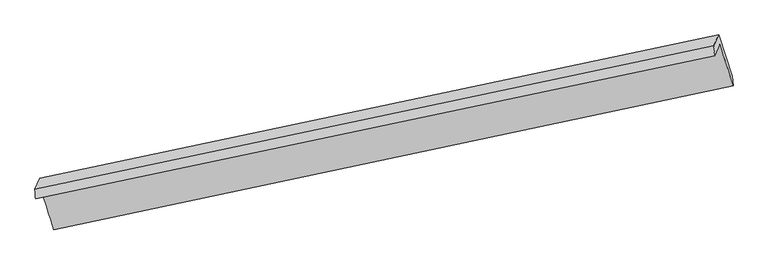
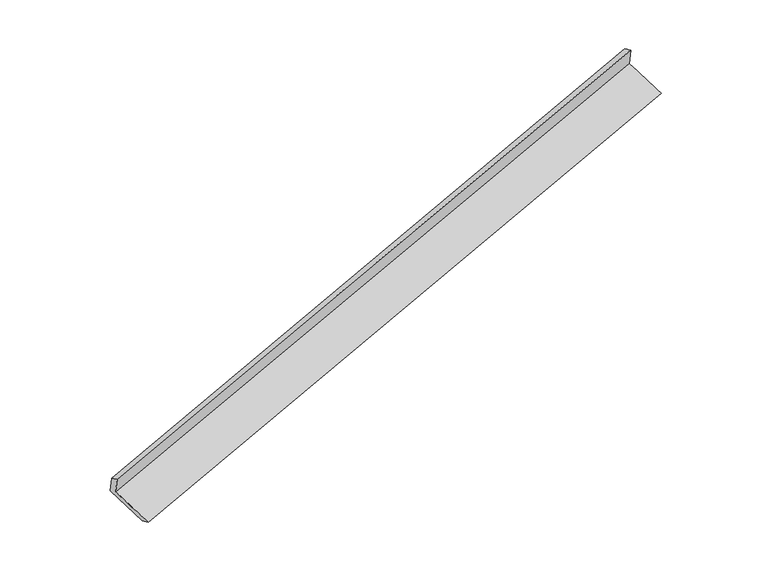
"""IFC4 building model written with IfcOpenShell, lengths in millimetres: proxy geometry."""

from ifc_helpers import new_model, si_unit, frame, origin, place, context, project, spatial, source, transform, mapped, element, save
from ifc_brep_helpers import plane_surface, spline_surface, advanced_brep


def generic_models_5e1a30d3(model_context):
    return source(origin(), model_context, "Body", "AdvancedBrep", [
        advanced_brep(
        [(-8462.3068225, -2638.0817564, 681.6912214), (-8383.3262857, -2459.3251619, 290.6151444), (2583.5389957, -140.1496219, 3536.8104826), (2502.7518964, -322.995008, 3936.8318441), (-8473.1097237, -2480.5077863, 608.5205628), (2487.3268368, -167.19445, 3878.6857126), (-8394.3406943, -2302.2298962, 218.491775), (2566.0958663, 11.0834401, 3488.6569247), (-8179.1556141, -2970.1382652, -43.343705), (2784.1771088, -656.222066, 3227.6819069), (-8165.3847701, -3135.7891717, 25.425656), (2801.5020442, -807.0934669, 3275.976906)],
        [
            (0, 1),
            (1, 2),
            (2, 3),
            (3, 0),
            (4, 0),
            (3, 5),
            (5, 4),
            (6, 4),
            (5, 7),
            (7, 6),
            (8, 6),
            (7, 9),
            (9, 8),
            (10, 8),
            (9, 11),
            (11, 10),
            (1, 10),
            (11, 2),
        ],
        [
            plane_surface(frame((-8422.8165541, -2548.7034592, 486.1531829), z_axis=(0.291506722675826, -0.8908876754561075, -0.3483431933527802), x_axis=(0.18065624915995368, 0.4088791641742207, -0.894528450494252))),
            spline_surface(1, 1, [[(-8473.1097237, -2480.5077863, 608.5205628), (2487.3268368, -167.19445, 3878.6857126)], [(-8462.3068225, -2638.0817564, 681.6912214), (2502.7518964, -322.995008, 3936.8318441)]], [2, 2], [2, 2], [0.0, 1.0], [0.0, 1.0]),
            plane_surface(frame((-8433.725209, -2391.3688412, 413.5061689), z_axis=(-0.291909273956521, 0.8908028095916054, 0.3482231040610013), x_axis=(-0.18065624915997205, -0.4088791641743327, 0.8945284504941972))),
            spline_surface(1, 1, [[(-8179.1556141, -2970.1382652, -43.343705), (2784.1771088, -656.222066, 3227.6819069)], [(-8394.3406943, -2302.2298962, 218.491775), (2566.0958663, 11.0834401, 3488.6569247)]], [2, 2], [2, 2], [0.0, 1.0], [0.0, 1.0]),
            spline_surface(1, 1, [[(-8165.3847701, -3135.7891717, 25.425656), (2801.5020442, -807.0934669, 3275.976906)], [(-8179.1556141, -2970.1382652, -43.343705), (2784.1771088, -656.222066, 3227.6819069)]], [2, 2], [2, 2], [0.0, 1.0], [0.0, 1.0]),
            spline_surface(1, 1, [[(-8383.3262857, -2459.3251619, 290.6151444), (2583.5389957, -140.1496219, 3536.8104826)], [(-8165.3847701, -3135.7891717, 25.425656), (2801.5020442, -807.0934669, 3275.976906)]], [2, 2], [2, 2], [0.0, 1.0], [0.0, 1.0]),
            plane_surface(frame((2620.8987914, -347.0951954, 3557.4406295), z_axis=(0.9394582048097038, 0.19751399618675602, 0.2800116117700606), x_axis=(-0.2911728027395012, 0.8909579397561119, 0.34844274785159207))),
            plane_surface(frame((-8342.9373184, -2664.3453396, 296.9001091), z_axis=(-0.9406479677426499, -0.19384745694077338, -0.27857595771928745), x_axis=(-0.18065624915997652, -0.4088791641742263, 0.8945284504942449))),
        ],
        [
            (0, [[1, 2, 3, 4]]),
            (1, [[5, -4, 6, 7]]),
            (2, [[8, -7, 9, 10]]),
            (3, [[11, -10, 12, 13]]),
            (4, [[14, -13, 15, 16]]),
            (5, [[17, -16, 18, -2]]),
            (6, [[-12, -9, -6, -3, -18, -15]]),
            (7, [[-1, -5, -8, -11, -14, -17]]),
        ],
    ),
    ])


if __name__ == "__main__":
    model = new_model("IFC4")
    model_context = context("Model", 3, world=origin())
    ifc_project = project(units=[si_unit("LENGTHUNIT", "METRE", prefix="MILLI")], contexts=[model_context])
    site = spatial("IfcSite", under=ifc_project)
    building = spatial("IfcBuilding", under=site)
    placement = place(None, origin())
    generic_models_shape = generic_models_5e1a30d3(model_context)
    element("IfcBuildingElementProxy", 1, Name="Generic Models", at=placement, inside=building, context=model_context, shape_type="MappedRepresentation", body=[
        mapped(generic_models_shape, transform((0.0, 0.0, 0.0), x_axis=(1.0, 0.0, 0.0), y_axis=(0.0, 1.0, 0.0), z_axis=(0.0, 0.0, 1.0))),
    ])
    save(model, "model.ifc")
